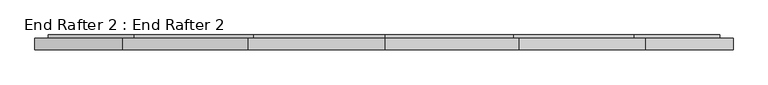
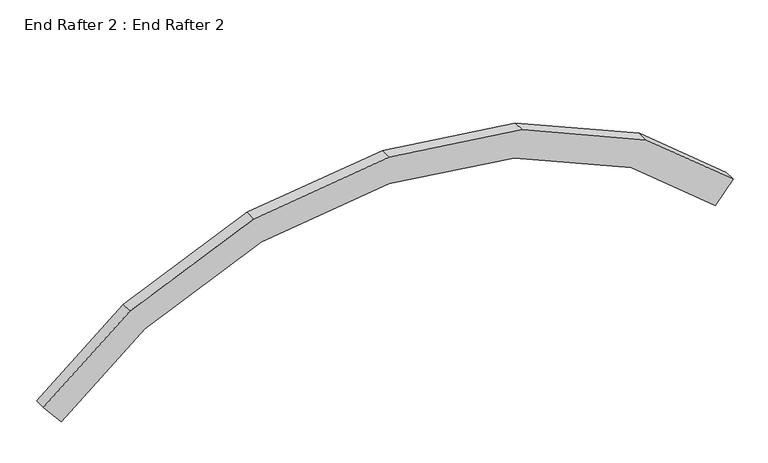
"""IFC4 building model written with IfcOpenShell, lengths in millimetres: proxy geometry, End Rafter 2 : End Rafter 2."""

from ifc_helpers import new_model, si_unit, origin, place, context, project, spatial, faceted_brep, source, transform, mapped, element, save


def end_rafter_2_end_rafter_2_41c14182(model_context):
    return source(origin(), model_context, "Body", "Brep", [
        faceted_brep([(-7302.604246, 12814.9300786, -253.5055401), (-7302.604246, 12736.7971992, -253.5055401), (-7422.8232142, 12736.7971992, -398.883109), (-7422.8232142, 12778.0721992, -398.883109), (-7414.288306, 12778.0721992, -388.5620737), (-7414.288306, 12823.3857992, -388.5620737), (-7424.5596334, 12823.3857992, -400.9829141), (-7424.5596334, 12835.6569614, -400.9829141), (-7390.4301579, 12835.6569614, -359.7110562), (-7390.4301579, 12814.9300786, -359.7110562), (-7890.5136375, 12814.9300786, 232.6620369), (-7890.5136375, 12736.7971992, 232.6620369), (-8728.3383088, 12736.7971992, 598.5037908), (-9625.6861412, 12736.7971992, 718.0571852), (-10540.1292118, 12736.7971992, 596.2261971), (-11377.3507089, 12736.7971992, 230.6478233), (-11962.8243659, 12736.7971992, -253.5055401), (-11842.6053977, 12736.7971992, -398.883109), (-11277.5632256, 12736.7971992, 68.3745803), (-10488.935894, 12736.7971992, 412.7339862), (-9625.6861412, 12736.7971992, 527.7445033), (-8779.5316266, 12736.7971992, 415.0115799), (-7990.3011208, 12736.7971992, 70.3887939), (-7990.3011208, 12778.0721992, 70.3887939), (-8779.5316266, 12778.0721992, 415.0115799), (-9625.6861412, 12778.0721992, 527.7445033), (-10488.935894, 12778.0721992, 412.7339862), (-11277.5632256, 12778.0721992, 68.3745803), (-11842.6053977, 12778.0721992, -398.883109), (-11851.140306, 12778.0721992, -388.5620737), (-11284.6476069, 12778.0721992, 79.8951187), (-10492.5703476, 12778.0721992, 425.7609587), (-9625.6861412, 12778.0721992, 541.255693), (-8775.8971729, 12778.0721992, 428.0385524), (-7983.2167395, 12778.0721992, 81.9093323), (-7983.2167395, 12823.3857992, 81.9093323), (-8775.8971729, 12823.3857992, 428.0385524), (-9625.6861412, 12823.3857992, 541.255693), (-10492.5703476, 12823.3857992, 425.7609587), (-11284.6476069, 12823.3857992, 79.8951187), (-11851.140306, 12823.3857992, -388.5620737), (-11840.8689785, 12823.3857992, -400.9829141), (-11276.1219147, 12823.3857992, 66.0307374), (-10488.1964677, 12823.3857992, 410.0836608), (-9625.6861412, 12823.3857992, 524.9956643), (-8780.2710528, 12823.3857992, 412.3612544), (-7991.7424316, 12823.3857992, 68.044951), (-7991.7424316, 12835.6569614, 68.044951), (-8780.2710528, 12835.6569614, 412.3612544), (-9625.6861412, 12835.6569614, 524.9956643), (-10488.1964677, 12835.6569614, 410.0836608), (-11276.1219147, 12835.6569614, 66.0307374), (-11840.8689785, 12835.6569614, -400.9829141), (-11874.998454, 12835.6569614, -359.7110562), (-11304.4510089, 12835.6569614, 112.0991803), (-10502.729957, 12835.6569614, 462.1760469), (-9625.6861412, 12835.6569614, 579.024343), (-8765.7375636, 12835.6569614, 464.4536406), (-7963.4133375, 12835.6569614, 114.1133939), (-7963.4133375, 12814.9300786, 114.1133939), (-8765.7375636, 12814.9300786, 464.4536406), (-9625.6861412, 12814.9300786, 579.024343), (-10502.729957, 12814.9300786, 462.1760469), (-11304.4510089, 12814.9300786, 112.0991803), (-11874.998454, 12814.9300786, -359.7110562), (-11962.8243659, 12814.9300786, -253.5055401), (-11377.3507089, 12814.9300786, 230.6478233), (-10540.1292118, 12814.9300786, 596.2261971), (-9625.6861412, 12814.9300786, 718.0571852), (-8728.3383088, 12814.9300786, 598.5037908)], [[[0, 1, 2, 3, 4, 5, 6, 7, 8, 9]], [[1, 0, 10, 11]], [[2, 1, 11, 12, 13, 14, 15, 16, 17, 18, 19, 20, 21, 22]], [[3, 2, 22, 23]], [[4, 3, 23, 24, 25, 26, 27, 28, 29, 30, 31, 32, 33, 34]], [[5, 4, 34, 35]], [[6, 5, 35, 36, 37, 38, 39, 40, 41, 42, 43, 44, 45, 46]], [[7, 6, 46, 47]], [[8, 7, 47, 48, 49, 50, 51, 52, 53, 54, 55, 56, 57, 58]], [[9, 8, 58, 59]], [[0, 9, 59, 60, 61, 62, 63, 64, 65, 66, 67, 68, 69, 10]], [[11, 10, 69, 12]], [[23, 22, 21, 24]], [[35, 34, 33, 36]], [[47, 46, 45, 48]], [[59, 58, 57, 60]], [[12, 69, 68, 13]], [[24, 21, 20, 25]], [[36, 33, 32, 37]], [[48, 45, 44, 49]], [[60, 57, 56, 61]], [[13, 68, 67, 14]], [[25, 20, 19, 26]], [[37, 32, 31, 38]], [[49, 44, 43, 50]], [[61, 56, 55, 62]], [[14, 67, 66, 15]], [[26, 19, 18, 27]], [[38, 31, 30, 39]], [[50, 43, 42, 51]], [[62, 55, 54, 63]], [[65, 64, 53, 52, 41, 40, 29, 28, 17, 16]], [[15, 66, 65, 16]], [[27, 18, 17, 28]], [[39, 30, 29, 40]], [[51, 42, 41, 52]], [[63, 54, 53, 64]]]),
    ])


if __name__ == "__main__":
    model = new_model("IFC4")
    model_context = context("Model", 3, world=origin())
    ifc_project = project(units=[si_unit("LENGTHUNIT", "METRE", prefix="MILLI")], contexts=[model_context])
    site = spatial("IfcSite", under=ifc_project)
    building = spatial("IfcBuilding", under=site)
    placement = place(None, origin())
    end_rafter_2_end_rafter_2_shape = end_rafter_2_end_rafter_2_41c14182(model_context)
    element("IfcBuildingElementProxy", 1, Name="End Rafter 2 : End Rafter 2", ObjectType="End Rafter 2 : End Rafter 2", at=placement, inside=building, context=model_context, shape_type="MappedRepresentation", body=[
        mapped(end_rafter_2_end_rafter_2_shape, transform((0.0, 0.0, 0.0), x_axis=(1.0, 0.0, 0.0), y_axis=(0.0, 1.0, 0.0), z_axis=(0.0, 0.0, 1.0))),
    ])
    save(model, "model.ifc")
